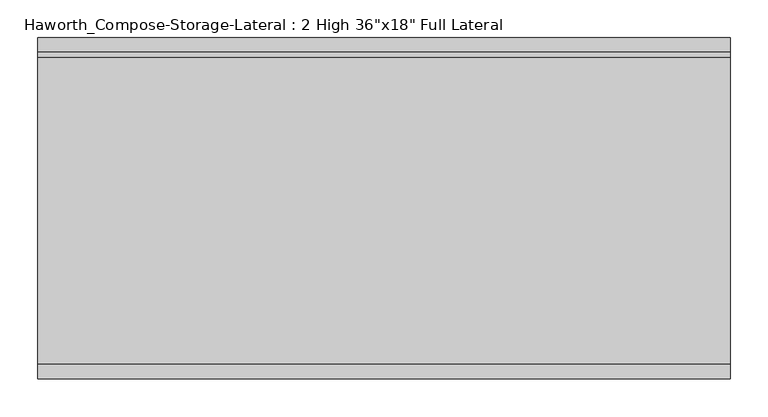
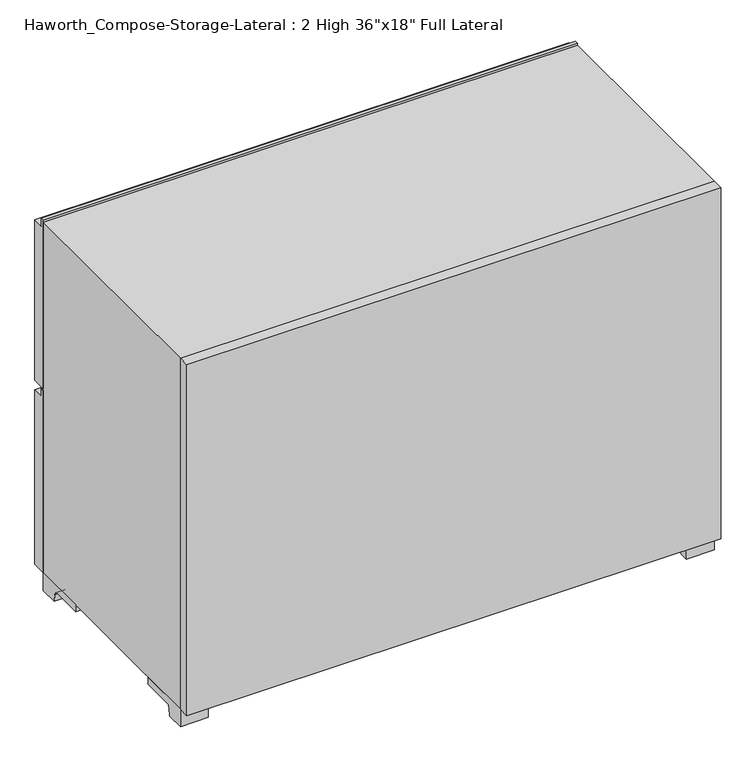
"""IFC4 building model written with IfcOpenShell, lengths in millimetres: furniture geometry."""

from ifc_helpers import new_model, si_unit, point, frame, frame_2d, origin, place, context, project, spatial, polyline, circle_curve, trimmed, segment, composite_curve, outline, extrude, source, transform, mapped, element, save


def furniture_88c7e588(model_context):
    return source(origin(), model_context, "Body", "SweptSolid", [
        extrude(outline(polyline([(152.4, 365.125), (152.4, 669.925), (158.75, 669.925), (158.75, 655.6375), (177.8, 655.6375), (177.8, 365.125), (152.4, 365.125)])), frame((-457.1861094, 0.0, 0.0), z_axis=(1.0, 0.0, 0.0), x_axis=(0.0, 1.0, 0.0)), (0.0, 0.0, 1.0), 914.4),
        extrude(outline(polyline([(152.4, 31.75), (152.4, 361.95), (158.75, 361.95), (158.75, 347.6625), (177.8, 347.6625), (177.8, 31.75), (152.4, 31.75)])), frame((-457.1861094, 0.0, 0.0), z_axis=(1.0, 0.0, 0.0), x_axis=(0.0, 1.0, 0.0)), (0.0, 0.0, 1.0), 914.4),
        extrude(outline(composite_curve([segment(polyline([(120.65, 0.0), (118.5333333, 12.7)]), True, "CONTINUOUS"), segment(trimmed(circle_curve(frame_2d((112.1833333, 12.7)), 6.35), [point((118.5333333, 12.7))], [point((112.1833333, 19.05))], True, "CARTESIAN"), True, "CONTINUOUS"), segment(polyline([(112.1833333, 19.05), (57.15, 19.05), (57.15, 31.75), (152.4, 31.75), (152.4, 0.0), (120.65, 0.0)]), True, "CONTINUOUS")], self_intersect=False)), frame((409.5888906, 0.0, 0.0), z_axis=(1.0, 0.0, 0.0), x_axis=(0.0, 1.0, 0.0)), (0.0, 0.0, 1.0), 47.625),
        extrude(outline(composite_curve([segment(polyline([(-222.25, 0.0), (-254.0, 0.0), (-254.0, 31.75), (-158.75, 31.75), (-158.75, 19.05), (-213.7833333, 19.05)]), True, "CONTINUOUS"), segment(trimmed(circle_curve(frame_2d((-213.7833333, 12.7)), 6.35), [point((-213.7833333, 19.05))], [point((-220.1333333, 12.7))], True, "CARTESIAN"), True, "CONTINUOUS"), segment(polyline([(-220.1333333, 12.7), (-222.25, 0.0)]), True, "CONTINUOUS")], self_intersect=False)), frame((409.5888906, 0.0, 0.0), z_axis=(1.0, 0.0, 0.0), x_axis=(0.0, 1.0, 0.0)), (0.0, 0.0, 1.0), 47.625),
        extrude(outline(composite_curve([segment(polyline([(120.65, 0.0), (118.5333333, 12.7)]), True, "CONTINUOUS"), segment(trimmed(circle_curve(frame_2d((112.1833333, 12.7)), 6.35), [point((118.5333333, 12.7))], [point((112.1833333, 19.05))], True, "CARTESIAN"), True, "CONTINUOUS"), segment(polyline([(112.1833333, 19.05), (57.15, 19.05), (57.15, 31.75), (152.4, 31.75), (152.4, 0.0), (120.65, 0.0)]), True, "CONTINUOUS")], self_intersect=False)), frame((-457.1861094, 0.0, 0.0), z_axis=(1.0, 0.0, 0.0), x_axis=(0.0, 1.0, 0.0)), (0.0, 0.0, 1.0), 47.625),
        extrude(outline(composite_curve([segment(polyline([(-222.25, 0.0), (-254.0, 0.0), (-254.0, 31.75), (-158.75, 31.75), (-158.75, 19.05), (-213.7833333, 19.05)]), True, "CONTINUOUS"), segment(trimmed(circle_curve(frame_2d((-213.7833333, 12.7)), 6.35), [point((-213.7833333, 19.05))], [point((-220.1333333, 12.7))], True, "CARTESIAN"), True, "CONTINUOUS"), segment(polyline([(-220.1333333, 12.7), (-222.25, 0.0)]), True, "CONTINUOUS")], self_intersect=False)), frame((-457.1861094, 0.0, 0.0), z_axis=(1.0, 0.0, 0.0), x_axis=(0.0, 1.0, 0.0)), (0.0, 0.0, 1.0), 47.625),
        extrude(outline(polyline([(457.2138906, -254.0), (457.2138906, -273.05), (-457.1861094, -273.05), (-457.1861094, -254.0), (457.2138906, -254.0)])), frame((0.0, 0.0, 31.75), z_axis=(0.0, 0.0, 1.0), x_axis=(1.0, 0.0, 0.0)), (0.0, 0.0, 1.0), 635.0),
        extrude(outline(polyline([(31.75, -457.1861094), (31.75, 457.2), (666.75, 457.2), (666.75, -457.1861094), (31.75, -457.1861094)]), holes=[polyline([(50.8, -438.1361094), (647.7, -438.1361094), (647.7, 438.1361094), (50.8, 438.1361094), (50.8, -438.1361094)])]), frame((0.0, -254.0, 0.0), z_axis=(0.0, 1.0, 0.0), x_axis=(0.0, 0.0, 1.0)), (0.0, 0.0, 1.0), 406.4),
        extrude(outline(polyline([(-438.1291641, -219.075), (438.1569453, -219.075), (438.1569453, -228.6), (-438.1291641, -228.6), (-438.1291641, -219.075)])), frame((0.0, 0.0, 50.8), z_axis=(0.0, 0.0, 1.0), x_axis=(1.0, 0.0, 0.0)), (0.0, 0.0, 1.0), 596.9),
    ])


if __name__ == "__main__":
    model = new_model("IFC4")
    model_context = context("Model", 3, world=origin())
    ifc_project = project(units=[si_unit("LENGTHUNIT", "METRE", prefix="MILLI")], contexts=[model_context])
    site = spatial("IfcSite", under=ifc_project)
    building = spatial("IfcBuilding", under=site)
    placement = place(None, origin())
    furniture_shape = furniture_88c7e588(model_context)
    element("IfcFurniture", 1, ObjectType="Haworth_Compose-Storage-Lateral : 2 High 36\"x18\" Full Lateral", at=placement, inside=building, context=model_context, shape_type="MappedRepresentation", body=[
        mapped(furniture_shape, transform((0.0, 0.0, 0.0), x_axis=(1.0, 0.0, 0.0), y_axis=(0.0, 1.0, 0.0), z_axis=(0.0, 0.0, 1.0))),
    ])
    save(model, "model.ifc")
